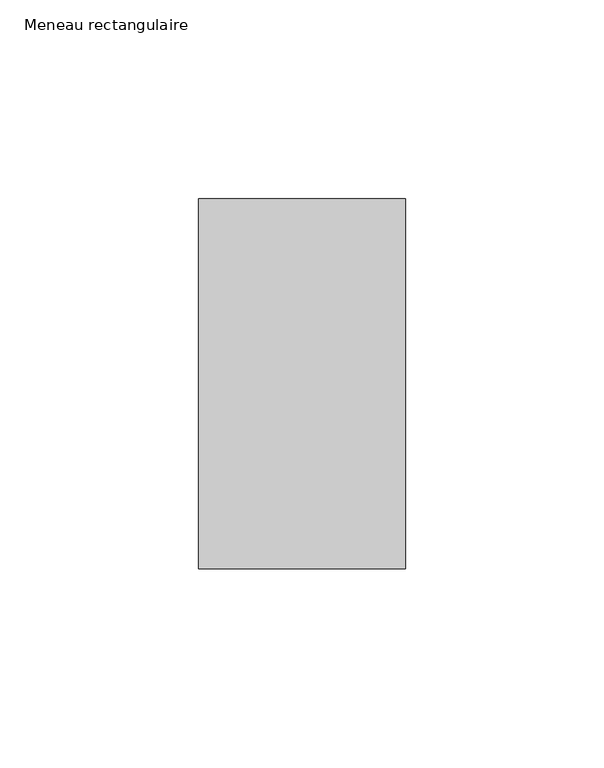
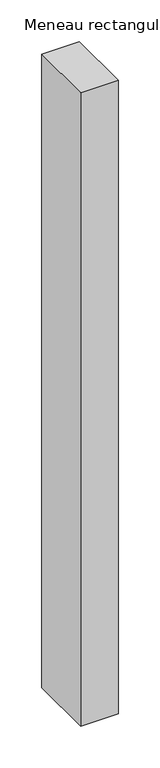
"""IFC4 building model written with IfcOpenShell, lengths in millimetres: member geometry, Meneau rectangulaire."""

from ifc_helpers import new_model, si_unit, frame, origin, place, context, project, spatial, polyline, outline, extrude, source, transform, mapped, element, save


def meneau_rectangulaire_1d629cca(model_context):
    return source(origin(), model_context, "Body", "SweptSolid", [
        extrude(outline(polyline([(-52.0, 46.5), (0.0, 46.5), (0.0, -46.5), (-52.0, -46.5), (-52.0, 46.5)])), frame((0.0, 0.0, -926.5040491), z_axis=(0.0, 0.0, 1.0), x_axis=(1.0, 0.0, 0.0)), (0.0, 0.0, 1.0), 926.5040491),
    ])


if __name__ == "__main__":
    model = new_model("IFC4")
    model_context = context("Model", 3, world=origin())
    ifc_project = project(units=[si_unit("LENGTHUNIT", "METRE", prefix="MILLI")], contexts=[model_context])
    site = spatial("IfcSite", under=ifc_project)
    building = spatial("IfcBuilding", under=site)
    placement = place(None, origin())
    meneau_rectangulaire_shape = meneau_rectangulaire_1d629cca(model_context)
    element("IfcMember", 1, ObjectType="Meneau rectangulaire", at=placement, inside=building, context=model_context, shape_type="MappedRepresentation", body=[
        mapped(meneau_rectangulaire_shape, transform((0.0, 0.0, 0.0), x_axis=(1.0, 0.0, 0.0), y_axis=(0.0, 1.0, 0.0), z_axis=(0.0, 0.0, 1.0))),
    ])
    save(model, "model.ifc")
